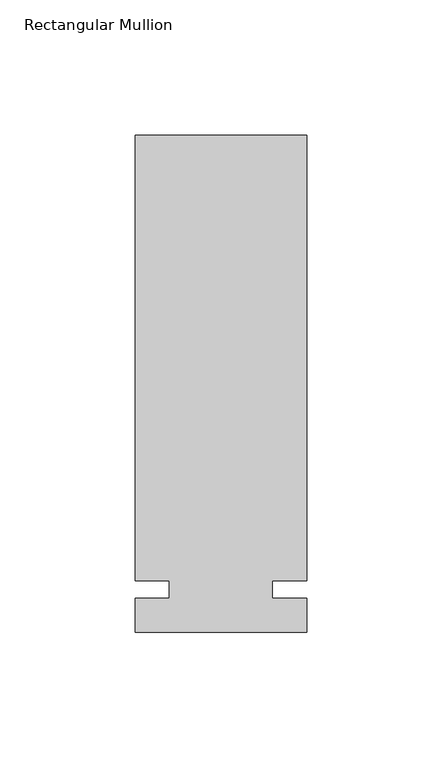
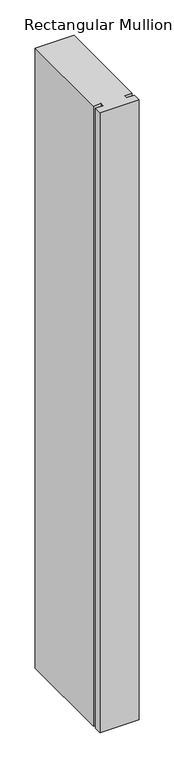
"""IFC4 building model written with IfcOpenShell, lengths in millimetres: member geometry, Rectangular Mullion."""

from ifc_helpers import new_model, si_unit, frame, origin, place, context, project, spatial, polyline, outline, extrude, source, transform, mapped, element, save


def rectangular_mullion_9ae12b85(model_context):
    return source(origin(), model_context, "Body", "SweptSolid", [
        extrude(outline(polyline([(36.0844027, 168.275), (36.0844027, 3.175), (23.3826322, 3.175), (23.3826322, -3.175), (36.0844027, -3.175), (36.0844027, -15.875), (-27.4155973, -15.875), (-27.4155973, -3.175), (-14.7155973, -3.175), (-14.7155973, 3.175), (-27.4155973, 3.175), (-27.4155973, 168.275), (36.0844027, 168.275)])), frame((0.0, 0.0, -1071.9905973), z_axis=(0.0, 0.0, 1.0), x_axis=(1.0, 0.0, 0.0)), (0.0, 0.0, 1.0), 1071.9905973),
    ])


if __name__ == "__main__":
    model = new_model("IFC4")
    model_context = context("Model", 3, world=origin())
    ifc_project = project(units=[si_unit("LENGTHUNIT", "METRE", prefix="MILLI")], contexts=[model_context])
    site = spatial("IfcSite", under=ifc_project)
    building = spatial("IfcBuilding", under=site)
    placement = place(None, origin())
    rectangular_mullion_shape = rectangular_mullion_9ae12b85(model_context)
    element("IfcMember", 1, ObjectType="Rectangular Mullion", at=placement, inside=building, context=model_context, shape_type="MappedRepresentation", body=[
        mapped(rectangular_mullion_shape, transform((0.0, 0.0, 0.0), x_axis=(1.0, 0.0, 0.0), y_axis=(0.0, 1.0, 0.0), z_axis=(0.0, 0.0, 1.0))),
    ])
    save(model, "model.ifc")
